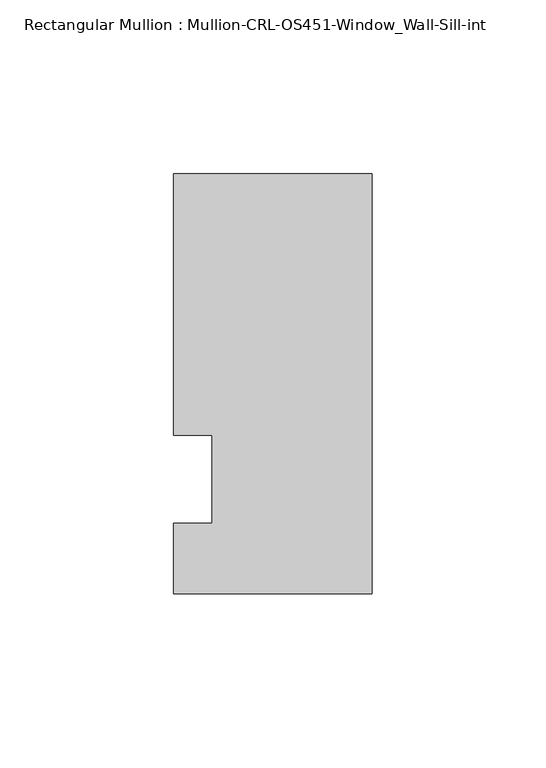
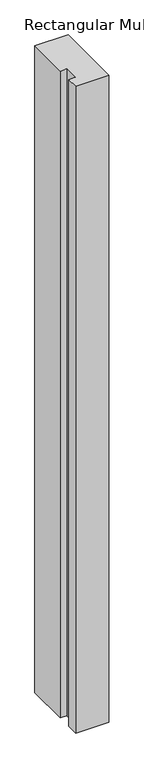
"""IFC4 building model written with IfcOpenShell, lengths in millimetres: member geometry, Rectangular Mullion : Mullion-CRL-OS451-Window_Wall-Sill-int."""

from ifc_helpers import new_model, si_unit, frame, origin, place, context, project, spatial, polyline, outline, extrude, source, transform, mapped, element, save


def rectangular_mullion_mullion_crl_os451_window_wall_sill_int_3d663885(model_context):
    return source(origin(), model_context, "Body", "SweptSolid", [
        extrude(outline(polyline([(0.0, 87.8956155), (0.0, -32.9067845), (-57.1524558, -32.9067845), (-57.1524558, -12.7), (-46.0527457, -12.7), (-46.0527457, 12.7), (-57.1524558, 12.7), (-57.1524558, 87.8956155), (0.0, 87.8956155)])), frame((0.0, 0.0, -1172.430051), z_axis=(0.0, 0.0, 1.0), x_axis=(1.0, 0.0, 0.0)), (0.0, 0.0, 1.0), 1172.430051),
    ])


if __name__ == "__main__":
    model = new_model("IFC4")
    model_context = context("Model", 3, world=origin())
    ifc_project = project(units=[si_unit("LENGTHUNIT", "METRE", prefix="MILLI")], contexts=[model_context])
    site = spatial("IfcSite", under=ifc_project)
    building = spatial("IfcBuilding", under=site)
    placement = place(None, origin())
    rectangular_mullion_mullion_crl_os451_window_wall_sill_int_shape = rectangular_mullion_mullion_crl_os451_window_wall_sill_int_3d663885(model_context)
    element("IfcMember", 1, ObjectType="Rectangular Mullion : Mullion-CRL-OS451-Window_Wall-Sill-int", at=placement, inside=building, context=model_context, shape_type="MappedRepresentation", body=[
        mapped(rectangular_mullion_mullion_crl_os451_window_wall_sill_int_shape, transform((0.0, 0.0, 0.0), x_axis=(1.0, 0.0, 0.0), y_axis=(0.0, 1.0, 0.0), z_axis=(0.0, 0.0, 1.0))),
    ])
    save(model, "model.ifc")
